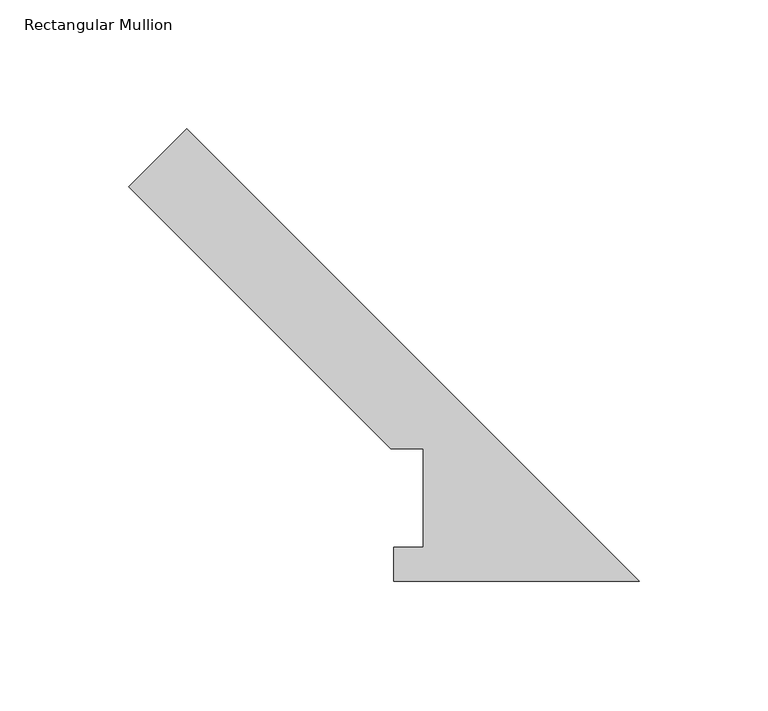
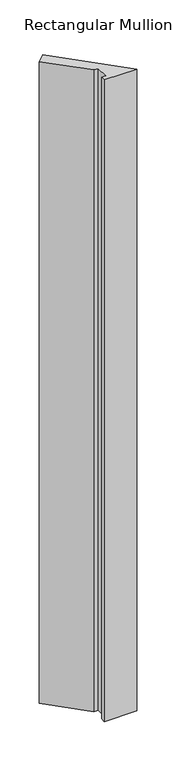
"""IFC4 building model written with IfcOpenShell, lengths in millimetres: member geometry, Rectangular Mullion."""

from ifc_helpers import new_model, si_unit, frame, origin, place, context, project, spatial, polyline, outline, extrude, source, transform, mapped, element, save


def rectangular_mullion_cc78f4c0(model_context):
    return source(origin(), model_context, "Body", "SweptSolid", [
        extrude(outline(polyline([(-197.7516598, 152.8653489), (-175.3010194, 175.3159893), (0.0, 0.0149699), (-95.1734192, 0.0149699), (-95.1734192, 13.1975699), (-83.5816233, 13.1975699), (-83.5816233, 51.3953125), (-96.2816233, 51.3953125), (-197.7516598, 152.8653489)])), frame((0.0, 0.0, -1993.8843221), z_axis=(0.0, 0.0, 1.0), x_axis=(1.0, 0.0, 0.0)), (0.0, 0.0, 1.0), 1993.8843221),
    ])


if __name__ == "__main__":
    model = new_model("IFC4")
    model_context = context("Model", 3, world=origin())
    ifc_project = project(units=[si_unit("LENGTHUNIT", "METRE", prefix="MILLI")], contexts=[model_context])
    site = spatial("IfcSite", under=ifc_project)
    building = spatial("IfcBuilding", under=site)
    placement = place(None, origin())
    rectangular_mullion_shape = rectangular_mullion_cc78f4c0(model_context)
    element("IfcMember", 1, ObjectType="Rectangular Mullion", at=placement, inside=building, context=model_context, shape_type="MappedRepresentation", body=[
        mapped(rectangular_mullion_shape, transform((0.0, 0.0, 0.0), x_axis=(1.0, 0.0, 0.0), y_axis=(0.0, 1.0, 0.0), z_axis=(0.0, 0.0, 1.0))),
    ])
    save(model, "model.ifc")
